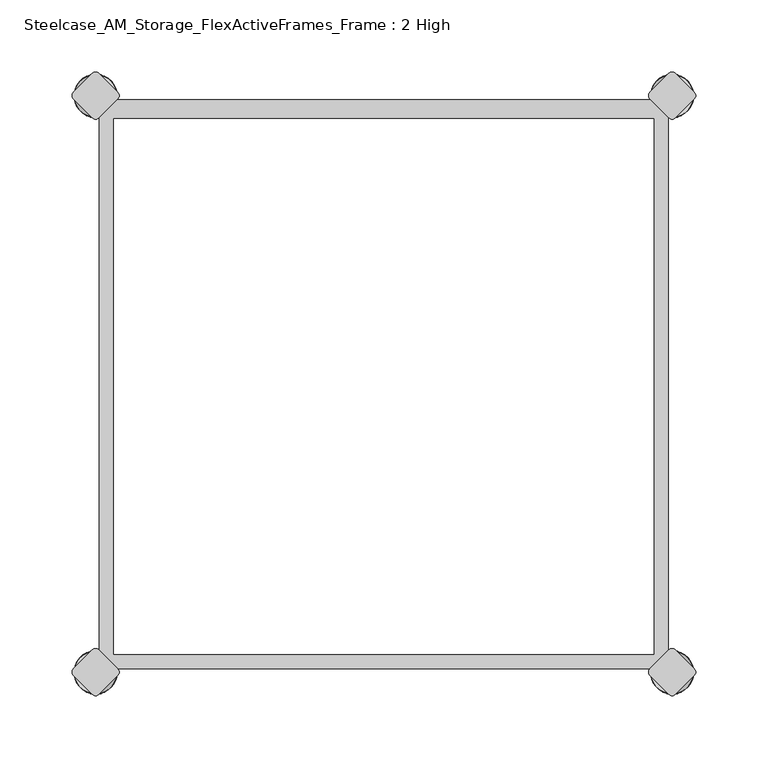
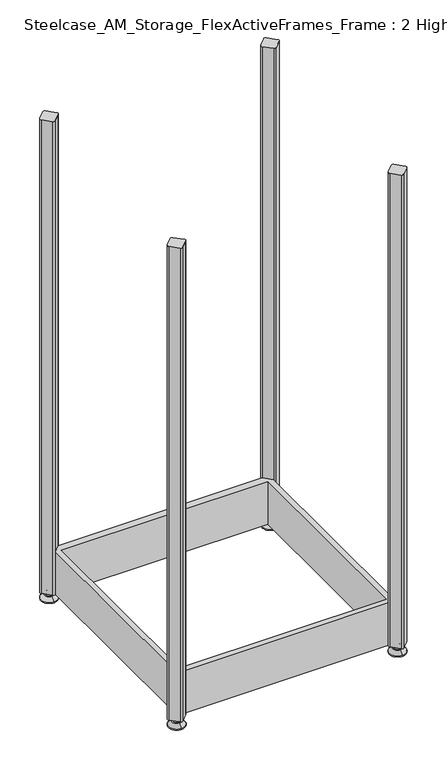
"""IFC4 building model written with IfcOpenShell, lengths in millimetres: furniture geometry, Steelcase_AM_Storage_FlexActiveFrames_Frame : 2 High."""

from ifc_helpers import new_model, si_unit, point, frame, frame_2d, origin, place, context, project, spatial, polyline, circle_curve, ellipse_curve, trimmed, segment, composite_curve, outline, extrude, source, transform, mapped, element, save
from ifc_brep_helpers import plane_surface, cylinder_surface, revolved_surface, advanced_brep


def steelcase_am_storage_flexactiveframes_frame_2_high_64e09d36(model_context):
    return source(origin(), model_context, "Body", "SolidModel", [
        extrude(outline(polyline([(2.54, -384.9123305), (2.54, -15.1376695), (15.1376695, -2.54), (384.9123305, -2.54), (397.51, -15.1376695), (397.51, -384.9123305), (384.9123305, -397.51), (15.1376695, -397.51), (2.54, -384.9123305)]), holes=[polyline([(12.7, -15.748), (12.7, -387.35), (387.35, -387.35), (387.35, -15.748), (12.7, -15.748)])]), frame((0.0, 0.0, 15.9766), z_axis=(0.0, 0.0, 1.0), x_axis=(1.0, 0.0, 0.0)), (0.0, 0.0, 1.0), 81.28),
        advanced_brep(
        [(400.05, 3.999659, 15.9766), (400.05, -3.999659, 15.9766), (400.05, 0.0, 15.9766), (400.05, 3.999659, 12.6000054), (400.05, -3.999659, 12.6000054), (400.05, 5.8601455, 12.6000054), (400.05, -5.8601455, 12.6000054), (400.05, 6.4951462, 11.9650074), (400.05, -6.4951462, 11.9650074), (400.05, 6.4951462, 9.0000124), (400.05, -6.4951462, 9.0000124), (400.05, 8.7421976, 9.0000124), (400.05, -8.7421976, 9.0000124), (400.05, 14.7060077, 2.3275608), (400.05, -14.7060077, 2.3275608), (400.05, 13.664601, 0.0), (400.05, -13.664601, 0.0), (400.05, 0.0, 0.0)],
        [
            (0, 1, circle_curve(frame((400.05, 0.0, 15.9766), z_axis=(0.0, 0.0, 1.0), x_axis=(0.0, -1.0, 0.0)), 3.999659)),
            (1, 2),
            (2, 0),
            (1, 0, circle_curve(frame((400.05, 0.0, 15.9766), z_axis=(0.0, 0.0, 1.0), x_axis=(0.0, -1.0, 0.0)), 3.999659)),
            (3, 4, circle_curve(frame((400.05, 0.0, 12.6000054), z_axis=(0.0, 0.0, 1.0), x_axis=(0.0, -1.0, 0.0)), 3.999659)),
            (4, 1),
            (0, 3),
            (4, 3, circle_curve(frame((400.05, 0.0, 12.6000054), z_axis=(0.0, 0.0, 1.0), x_axis=(0.0, -1.0, 0.0)), 3.999659)),
            (5, 6, circle_curve(frame((400.05, 0.0, 12.6000054), z_axis=(0.0, 0.0, 1.0), x_axis=(0.0, -1.0, 0.0)), 5.8601455)),
            (6, 4),
            (3, 5),
            (6, 5, circle_curve(frame((400.05, 0.0, 12.6000054), z_axis=(0.0, 0.0, 1.0), x_axis=(0.0, -1.0, 0.0)), 5.8601455)),
            (7, 8, circle_curve(frame((400.05, 0.0, 11.9650074), z_axis=(0.0, 0.0, 1.0), x_axis=(0.0, -1.0, 0.0)), 6.4951462)),
            (8, 6, circle_curve(frame((400.05, -5.8601462, 11.9650074), z_axis=(-1.0, 0.0, 0.0), x_axis=(0.0, -1.0, 0.0)), 0.635)),
            (5, 7, circle_curve(frame((400.05, 5.8601462, 11.9650074), z_axis=(-1.0, 0.0, 0.0), x_axis=(0.0, 1.0, 0.0)), 0.635)),
            (8, 7, circle_curve(frame((400.05, 0.0, 11.9650074), z_axis=(0.0, 0.0, 1.0), x_axis=(0.0, -1.0, 0.0)), 6.4951462)),
            (9, 10, circle_curve(frame((400.05, 0.0, 9.0000124), z_axis=(0.0, 0.0, 1.0), x_axis=(0.0, -1.0, 0.0)), 6.4951462)),
            (10, 8),
            (7, 9),
            (10, 9, circle_curve(frame((400.05, 0.0, 9.0000124), z_axis=(0.0, 0.0, 1.0), x_axis=(0.0, -1.0, 0.0)), 6.4951462)),
            (11, 12, circle_curve(frame((400.05, 0.0, 9.0000124), z_axis=(0.0, 0.0, 1.0), x_axis=(0.0, -1.0, 0.0)), 8.7421976)),
            (12, 10),
            (9, 11),
            (12, 11, circle_curve(frame((400.05, 0.0, 9.0000124), z_axis=(0.0, 0.0, 1.0), x_axis=(0.0, -1.0, 0.0)), 8.7421976)),
            (13, 14, circle_curve(frame((400.05, 0.0, 2.3275608), z_axis=(0.0, 0.0, 1.0), x_axis=(0.0, -1.0, 0.0)), 14.7060077)),
            (14, 12),
            (11, 13),
            (14, 13, circle_curve(frame((400.05, 0.0, 2.3275608), z_axis=(0.0, 0.0, 1.0), x_axis=(0.0, -1.0, 0.0)), 14.7060077)),
            (15, 16, circle_curve(frame((400.05, 0.0, 0.0), z_axis=(0.0, 0.0, 1.0), x_axis=(0.0, -1.0, 0.0)), 13.664601)),
            (16, 14, circle_curve(frame((400.05, -13.664601, 1.3967556), z_axis=(-1.0, 0.0, 0.0), x_axis=(0.0, -1.0, 0.0)), 1.3967556)),
            (13, 15, circle_curve(frame((400.05, 13.664601, 1.3967556), z_axis=(-1.0, 0.0, 0.0), x_axis=(0.0, 1.0, 0.0)), 1.3967556)),
            (16, 15, circle_curve(frame((400.05, 0.0, 0.0), z_axis=(0.0, 0.0, 1.0), x_axis=(0.0, -1.0, 0.0)), 13.664601)),
            (17, 16),
            (15, 17),
        ],
        [
            plane_surface(frame((400.05, 0.0, 15.9766), z_axis=(0.0, 0.0, 1.0), x_axis=(0.0, -1.0, 0.0))),
            cylinder_surface(frame((400.05, 0.0, -4.132372), z_axis=(0.0, 0.0, -1.0), x_axis=(0.0, -1.0, 0.0)), 3.999659),
            plane_surface(frame((400.05, 0.0, 12.6000054), z_axis=(0.0, 0.0, 1.0), x_axis=(0.0, -1.0, 0.0))),
            revolved_surface(trimmed(ellipse_curve(frame((400.05, -5.8601462, 11.9650074), z_axis=(1.0, 0.0, 0.0), x_axis=(0.0, -1.0, 0.0)), 0.635, 0.635), [point((400.05, -5.8601455, 12.6000074))], [point((400.05, -6.4951462, 11.9650074))], True, "CARTESIAN"), (400.05, 0.0, -4.132372), (0.0, 0.0, -1.0)),
            cylinder_surface(frame((400.05, 0.0, -4.132372), z_axis=(0.0, 0.0, -1.0), x_axis=(0.0, -1.0, 0.0)), 6.4951462),
            plane_surface(frame((400.05, 0.0, 9.0000124), z_axis=(0.0, 0.0, 1.0), x_axis=(0.0, -1.0, 0.0))),
            revolved_surface(polyline([(400.05, -8.7421976, 9.0000124), (400.05, -14.7060077, 2.3275608)]), (400.05, 0.0, -4.132372), (0.0, 0.0, -1.0)),
            revolved_surface(trimmed(ellipse_curve(frame((400.05, -13.664601, 1.3967556), z_axis=(1.0, 0.0, 0.0), x_axis=(0.0, -1.0, 0.0)), 1.3967556, 1.3967556), [point((400.05, -14.7060077, 2.3275608))], [point((400.05, -13.664601, 0.0))], True, "CARTESIAN"), (400.05, 0.0, -4.132372), (0.0, 0.0, -1.0)),
            plane_surface(frame((400.05, 0.0, 0.0), z_axis=(0.0, 0.0, -1.0), x_axis=(0.0, -1.0, 0.0))),
        ],
        [
            (0, [[1, 2, 3]]),
            (0, [[4, -3, -2]]),
            (1, [[5, 6, -1, 7]]),
            (1, [[8, -7, -4, -6]]),
            (2, [[9, 10, -5, 11]]),
            (2, [[12, -11, -8, -10]]),
            (3, [[13, 14, -9, 15]]),
            (3, [[16, -15, -12, -14]]),
            (4, [[17, 18, -13, 19]]),
            (4, [[20, -19, -16, -18]]),
            (5, [[21, 22, -17, 23]]),
            (5, [[24, -23, -20, -22]]),
            (6, [[25, 26, -21, 27]]),
            (6, [[28, -27, -24, -26]]),
            (7, [[29, 30, -25, 31]]),
            (7, [[32, -31, -28, -30]]),
            (8, [[33, -29, 34]]),
            (8, [[-34, -32, -33]]),
        ],
    ),
        advanced_brep(
        [(400.05, -400.05, 15.9766), (400.05, -396.050341, 15.9766), (400.05, -404.049659, 15.9766), (400.05, -396.050341, 12.6000054), (400.05, -404.049659, 12.6000054), (400.05, -394.1898545, 12.6000074), (400.05, -405.9101455, 12.6000074), (400.05, -393.5548538, 11.9650074), (400.05, -406.5451462, 11.9650074), (400.05, -393.5548538, 9.0000124), (400.05, -406.5451462, 9.0000124), (400.05, -391.3078024, 9.0000124), (400.05, -408.7921976, 9.0000124), (400.05, -385.3439923, 2.3275608), (400.05, -414.7560077, 2.3275608), (400.05, -386.385399, 0.0), (400.05, -413.714601, 0.0), (400.05, -400.05, 0.0)],
        [
            (0, 1),
            (1, 2, circle_curve(frame((400.05, -400.05, 15.9766), z_axis=(0.0, 0.0, 1.0), x_axis=(0.0, 1.0, 0.0)), 3.999659)),
            (2, 0),
            (2, 1, circle_curve(frame((400.05, -400.05, 15.9766), z_axis=(0.0, 0.0, 1.0), x_axis=(0.0, 1.0, 0.0)), 3.999659)),
            (1, 3),
            (3, 4, circle_curve(frame((400.05, -400.05, 12.6000054), z_axis=(0.0, 0.0, 1.0), x_axis=(0.0, 1.0, 0.0)), 3.999659)),
            (4, 2),
            (4, 3, circle_curve(frame((400.05, -400.05, 12.6000054), z_axis=(0.0, 0.0, 1.0), x_axis=(0.0, 1.0, 0.0)), 3.999659)),
            (3, 5),
            (5, 6, circle_curve(frame((400.05, -400.05, 12.6000074), z_axis=(0.0, 0.0, 1.0), x_axis=(0.0, 1.0, 0.0)), 5.8601455)),
            (6, 4),
            (6, 5, circle_curve(frame((400.05, -400.05, 12.6000074), z_axis=(0.0, 0.0, 1.0), x_axis=(0.0, 1.0, 0.0)), 5.8601455)),
            (5, 7, circle_curve(frame((400.05, -394.1898538, 11.9650074), z_axis=(-1.0, 0.0, 0.0), x_axis=(0.0, 1.0, 0.0)), 0.635)),
            (7, 8, circle_curve(frame((400.05, -400.05, 11.9650074), z_axis=(0.0, 0.0, 1.0), x_axis=(0.0, 1.0, 0.0)), 6.4951462)),
            (8, 6, circle_curve(frame((400.05, -405.9101462, 11.9650074), z_axis=(-1.0, 0.0, 0.0), x_axis=(0.0, -1.0, 0.0)), 0.635)),
            (8, 7, circle_curve(frame((400.05, -400.05, 11.9650074), z_axis=(0.0, 0.0, 1.0), x_axis=(0.0, 1.0, 0.0)), 6.4951462)),
            (7, 9),
            (9, 10, circle_curve(frame((400.05, -400.05, 9.0000124), z_axis=(0.0, 0.0, 1.0), x_axis=(0.0, 1.0, 0.0)), 6.4951462)),
            (10, 8),
            (10, 9, circle_curve(frame((400.05, -400.05, 9.0000124), z_axis=(0.0, 0.0, 1.0), x_axis=(0.0, 1.0, 0.0)), 6.4951462)),
            (9, 11),
            (11, 12, circle_curve(frame((400.05, -400.05, 9.0000124), z_axis=(0.0, 0.0, 1.0), x_axis=(0.0, 1.0, 0.0)), 8.7421976)),
            (12, 10),
            (12, 11, circle_curve(frame((400.05, -400.05, 9.0000124), z_axis=(0.0, 0.0, 1.0), x_axis=(0.0, 1.0, 0.0)), 8.7421976)),
            (11, 13),
            (13, 14, circle_curve(frame((400.05, -400.05, 2.3275608), z_axis=(0.0, 0.0, 1.0), x_axis=(0.0, 1.0, 0.0)), 14.7060077)),
            (14, 12),
            (14, 13, circle_curve(frame((400.05, -400.05, 2.3275608), z_axis=(0.0, 0.0, 1.0), x_axis=(0.0, 1.0, 0.0)), 14.7060077)),
            (13, 15, circle_curve(frame((400.05, -386.385399, 1.3967556), z_axis=(-1.0, 0.0, 0.0), x_axis=(0.0, 1.0, 0.0)), 1.3967556)),
            (15, 16, circle_curve(frame((400.05, -400.05, 0.0), z_axis=(0.0, 0.0, 1.0), x_axis=(0.0, 1.0, 0.0)), 13.664601)),
            (16, 14, circle_curve(frame((400.05, -413.714601, 1.3967556), z_axis=(-1.0, 0.0, 0.0), x_axis=(0.0, -1.0, 0.0)), 1.3967556)),
            (16, 15, circle_curve(frame((400.05, -400.05, 0.0), z_axis=(0.0, 0.0, 1.0), x_axis=(0.0, 1.0, 0.0)), 13.664601)),
            (15, 17),
            (17, 16),
        ],
        [
            plane_surface(frame((400.05, -400.05, 15.9766), z_axis=(0.0, 0.0, 1.0), x_axis=(0.0, 1.0, 0.0))),
            cylinder_surface(frame((400.05, -400.05, -4.132372), z_axis=(0.0, 0.0, 1.0), x_axis=(0.0, 1.0, 0.0)), 3.999659),
            plane_surface(frame((400.05, -400.05, 12.6000074), z_axis=(0.0, 0.0, 1.0), x_axis=(0.0, 1.0, 0.0))),
            revolved_surface(trimmed(ellipse_curve(frame((400.05, -394.1898538, 11.9650074), z_axis=(1.0, 0.0, 0.0), x_axis=(0.0, 1.0, 0.0)), 0.635, 0.635), [point((400.05, -393.5548538, 11.9650074))], [point((400.05, -394.1898545, 12.6000074))], True, "CARTESIAN"), (400.05, -400.05, -4.132372), (0.0, 0.0, 1.0)),
            cylinder_surface(frame((400.05, -400.05, -4.132372), z_axis=(0.0, 0.0, 1.0), x_axis=(0.0, 1.0, 0.0)), 6.4951462),
            plane_surface(frame((400.05, -400.05, 9.0000124), z_axis=(0.0, 0.0, 1.0), x_axis=(0.0, 1.0, 0.0))),
            revolved_surface(polyline([(400.05, -385.3439923, 2.3275608), (400.05, -391.3078024, 9.0000124)]), (400.05, -400.05, -4.132372), (0.0, 0.0, 1.0)),
            revolved_surface(trimmed(ellipse_curve(frame((400.05, -386.385399, 1.3967556), z_axis=(1.0, 0.0, 0.0), x_axis=(0.0, 1.0, 0.0)), 1.3967556, 1.3967556), [point((400.05, -386.385399, 0.0))], [point((400.05, -385.3439923, 2.3275608))], True, "CARTESIAN"), (400.05, -400.05, -4.132372), (0.0, 0.0, 1.0)),
            plane_surface(frame((400.05, -400.05, 0.0), z_axis=(0.0, 0.0, -1.0), x_axis=(0.0, 1.0, 0.0))),
        ],
        [
            (0, [[1, 2, 3]]),
            (0, [[-3, 4, -1]]),
            (1, [[-2, 5, 6, 7]]),
            (1, [[-4, -7, 8, -5]]),
            (2, [[-6, 9, 10, 11]]),
            (2, [[-8, -11, 12, -9]]),
            (3, [[-10, 13, 14, 15]]),
            (3, [[-12, -15, 16, -13]]),
            (4, [[-14, 17, 18, 19]]),
            (4, [[-16, -19, 20, -17]]),
            (5, [[-18, 21, 22, 23]]),
            (5, [[-20, -23, 24, -21]]),
            (6, [[-22, 25, 26, 27]]),
            (6, [[-24, -27, 28, -25]]),
            (7, [[-26, 29, 30, 31]]),
            (7, [[-28, -31, 32, -29]]),
            (8, [[-30, 33, 34]]),
            (8, [[-32, -34, -33]]),
        ],
    ),
        advanced_brep(
        [(0.0, -400.05, 15.9766), (0.0, -396.050341, 15.9766), (0.0, -404.049659, 15.9766), (0.0, -396.050341, 12.6000054), (0.0, -404.049659, 12.6000054), (0.0, -394.1898545, 12.6000074), (0.0, -405.9101455, 12.6000074), (0.0, -393.5548538, 11.9650074), (0.0, -406.5451462, 11.9650074), (0.0, -393.5548538, 9.0000124), (0.0, -406.5451462, 9.0000124), (0.0, -391.3078024, 9.0000124), (0.0, -408.7921976, 9.0000124), (0.0, -385.3439923, 2.3275608), (0.0, -414.7560077, 2.3275608), (0.0, -386.385399, 0.0), (0.0, -413.714601, 0.0), (0.0, -400.05, 0.0)],
        [
            (0, 1),
            (1, 2, circle_curve(frame((0.0, -400.05, 15.9766), z_axis=(0.0, 0.0, 1.0), x_axis=(0.0, 1.0, 0.0)), 3.999659)),
            (2, 0),
            (2, 1, circle_curve(frame((0.0, -400.05, 15.9766), z_axis=(0.0, 0.0, 1.0), x_axis=(0.0, 1.0, 0.0)), 3.999659)),
            (1, 3),
            (3, 4, circle_curve(frame((0.0, -400.05, 12.6000054), z_axis=(0.0, 0.0, 1.0), x_axis=(0.0, 1.0, 0.0)), 3.999659)),
            (4, 2),
            (4, 3, circle_curve(frame((0.0, -400.05, 12.6000054), z_axis=(0.0, 0.0, 1.0), x_axis=(0.0, 1.0, 0.0)), 3.999659)),
            (3, 5),
            (5, 6, circle_curve(frame((0.0, -400.05, 12.6000074), z_axis=(0.0, 0.0, 1.0), x_axis=(0.0, 1.0, 0.0)), 5.8601455)),
            (6, 4),
            (6, 5, circle_curve(frame((0.0, -400.05, 12.6000074), z_axis=(0.0, 0.0, 1.0), x_axis=(0.0, 1.0, 0.0)), 5.8601455)),
            (5, 7, circle_curve(frame((0.0, -394.1898538, 11.9650074), z_axis=(-1.0, 0.0, 0.0), x_axis=(0.0, -1.0, 0.0)), 0.635)),
            (7, 8, circle_curve(frame((0.0, -400.05, 11.9650074), z_axis=(0.0, 0.0, 1.0), x_axis=(0.0, 1.0, 0.0)), 6.4951462)),
            (8, 6, circle_curve(frame((0.0, -405.9101462, 11.9650074), z_axis=(-1.0, 0.0, 0.0), x_axis=(0.0, 1.0, 0.0)), 0.635)),
            (8, 7, circle_curve(frame((0.0, -400.05, 11.9650074), z_axis=(0.0, 0.0, 1.0), x_axis=(0.0, 1.0, 0.0)), 6.4951462)),
            (7, 9),
            (9, 10, circle_curve(frame((0.0, -400.05, 9.0000124), z_axis=(0.0, 0.0, 1.0), x_axis=(0.0, 1.0, 0.0)), 6.4951462)),
            (10, 8),
            (10, 9, circle_curve(frame((0.0, -400.05, 9.0000124), z_axis=(0.0, 0.0, 1.0), x_axis=(0.0, 1.0, 0.0)), 6.4951462)),
            (9, 11),
            (11, 12, circle_curve(frame((0.0, -400.05, 9.0000124), z_axis=(0.0, 0.0, 1.0), x_axis=(0.0, 1.0, 0.0)), 8.7421976)),
            (12, 10),
            (12, 11, circle_curve(frame((0.0, -400.05, 9.0000124), z_axis=(0.0, 0.0, 1.0), x_axis=(0.0, 1.0, 0.0)), 8.7421976)),
            (11, 13),
            (13, 14, circle_curve(frame((0.0, -400.05, 2.3275608), z_axis=(0.0, 0.0, 1.0), x_axis=(0.0, 1.0, 0.0)), 14.7060077)),
            (14, 12),
            (14, 13, circle_curve(frame((0.0, -400.05, 2.3275608), z_axis=(0.0, 0.0, 1.0), x_axis=(0.0, 1.0, 0.0)), 14.7060077)),
            (13, 15, circle_curve(frame((0.0, -386.385399, 1.3967556), z_axis=(-1.0, 0.0, 0.0), x_axis=(0.0, -1.0, 0.0)), 1.3967556)),
            (15, 16, circle_curve(frame((0.0, -400.05, 0.0), z_axis=(0.0, 0.0, 1.0), x_axis=(0.0, 1.0, 0.0)), 13.664601)),
            (16, 14, circle_curve(frame((0.0, -413.714601, 1.3967556), z_axis=(-1.0, 0.0, 0.0), x_axis=(0.0, 1.0, 0.0)), 1.3967556)),
            (16, 15, circle_curve(frame((0.0, -400.05, 0.0), z_axis=(0.0, 0.0, 1.0), x_axis=(0.0, 1.0, 0.0)), 13.664601)),
            (15, 17),
            (17, 16),
        ],
        [
            plane_surface(frame((0.0, -400.05, 15.9766), z_axis=(0.0, 0.0, 1.0), x_axis=(0.0, 1.0, 0.0))),
            cylinder_surface(frame((0.0, -400.05, -4.132372), z_axis=(0.0, 0.0, 1.0), x_axis=(0.0, 1.0, 0.0)), 3.999659),
            plane_surface(frame((0.0, -400.05, 12.6000074), z_axis=(0.0, 0.0, 1.0), x_axis=(0.0, 1.0, 0.0))),
            revolved_surface(trimmed(ellipse_curve(frame((0.0, -394.1898538, 11.9650074), z_axis=(1.0, 0.0, 0.0), x_axis=(0.0, -1.0, 0.0)), 0.635, 0.635), [point((0.0, -393.5548538, 11.9650074))], [point((0.0, -394.1898545, 12.6000074))], True, "CARTESIAN"), (0.0, -400.05, -4.132372), (0.0, 0.0, 1.0)),
            cylinder_surface(frame((0.0, -400.05, -4.132372), z_axis=(0.0, 0.0, 1.0), x_axis=(0.0, 1.0, 0.0)), 6.4951462),
            plane_surface(frame((0.0, -400.05, 9.0000124), z_axis=(0.0, 0.0, 1.0), x_axis=(0.0, 1.0, 0.0))),
            revolved_surface(polyline([(0.0, -385.3439923, 2.3275608), (0.0, -391.3078024, 9.0000124)]), (0.0, -400.05, -4.132372), (0.0, 0.0, 1.0)),
            revolved_surface(trimmed(ellipse_curve(frame((0.0, -386.385399, 1.3967556), z_axis=(1.0, 0.0, 0.0), x_axis=(0.0, -1.0, 0.0)), 1.3967556, 1.3967556), [point((0.0, -386.385399, 0.0))], [point((0.0, -385.3439923, 2.3275608))], True, "CARTESIAN"), (0.0, -400.05, -4.132372), (0.0, 0.0, 1.0)),
            plane_surface(frame((0.0, -400.05, 0.0), z_axis=(0.0, 0.0, -1.0), x_axis=(0.0, 1.0, 0.0))),
        ],
        [
            (0, [[1, 2, 3]]),
            (0, [[-3, 4, -1]]),
            (1, [[-2, 5, 6, 7]]),
            (1, [[-4, -7, 8, -5]]),
            (2, [[-6, 9, 10, 11]]),
            (2, [[-8, -11, 12, -9]]),
            (3, [[-10, 13, 14, 15]]),
            (3, [[-12, -15, 16, -13]]),
            (4, [[-14, 17, 18, 19]]),
            (4, [[-16, -19, 20, -17]]),
            (5, [[-18, 21, 22, 23]]),
            (5, [[-20, -23, 24, -21]]),
            (6, [[-22, 25, 26, 27]]),
            (6, [[-24, -27, 28, -25]]),
            (7, [[-26, 29, 30, 31]]),
            (7, [[-28, -31, 32, -29]]),
            (8, [[-30, 33, 34]]),
            (8, [[-32, -34, -33]]),
        ],
    ),
        advanced_brep(
        [(0.0, 3.999659, 15.9766), (0.0, -3.999659, 15.9766), (0.0, 0.0, 15.9766), (0.0, 3.999659, 12.6000054), (0.0, -3.999659, 12.6000054), (0.0, 5.8601455, 12.6000054), (0.0, -5.8601455, 12.6000054), (0.0, 6.4951462, 11.9650074), (0.0, -6.4951462, 11.9650074), (0.0, 6.4951462, 9.0000124), (0.0, -6.4951462, 9.0000124), (0.0, 8.7421976, 9.0000124), (0.0, -8.7421976, 9.0000124), (0.0, 14.7060077, 2.3275608), (0.0, -14.7060077, 2.3275608), (0.0, 13.664601, 0.0), (0.0, -13.664601, 0.0), (0.0, 0.0, 0.0)],
        [
            (0, 1, circle_curve(frame((0.0, 0.0, 15.9766), z_axis=(0.0, 0.0, 1.0), x_axis=(0.0, -1.0, 0.0)), 3.999659)),
            (1, 2),
            (2, 0),
            (1, 0, circle_curve(frame((0.0, 0.0, 15.9766), z_axis=(0.0, 0.0, 1.0), x_axis=(0.0, -1.0, 0.0)), 3.999659)),
            (3, 4, circle_curve(frame((0.0, 0.0, 12.6000054), z_axis=(0.0, 0.0, 1.0), x_axis=(0.0, -1.0, 0.0)), 3.999659)),
            (4, 1),
            (0, 3),
            (4, 3, circle_curve(frame((0.0, 0.0, 12.6000054), z_axis=(0.0, 0.0, 1.0), x_axis=(0.0, -1.0, 0.0)), 3.999659)),
            (5, 6, circle_curve(frame((0.0, 0.0, 12.6000054), z_axis=(0.0, 0.0, 1.0), x_axis=(0.0, -1.0, 0.0)), 5.8601455)),
            (6, 4),
            (3, 5),
            (6, 5, circle_curve(frame((0.0, 0.0, 12.6000054), z_axis=(0.0, 0.0, 1.0), x_axis=(0.0, -1.0, 0.0)), 5.8601455)),
            (7, 8, circle_curve(frame((0.0, 0.0, 11.9650074), z_axis=(0.0, 0.0, 1.0), x_axis=(0.0, -1.0, 0.0)), 6.4951462)),
            (8, 6, circle_curve(frame((0.0, -5.8601462, 11.9650074), z_axis=(-1.0, 0.0, 0.0), x_axis=(0.0, 1.0, 0.0)), 0.635)),
            (5, 7, circle_curve(frame((0.0, 5.8601462, 11.9650074), z_axis=(-1.0, 0.0, 0.0), x_axis=(0.0, -1.0, 0.0)), 0.635)),
            (8, 7, circle_curve(frame((0.0, 0.0, 11.9650074), z_axis=(0.0, 0.0, 1.0), x_axis=(0.0, -1.0, 0.0)), 6.4951462)),
            (9, 10, circle_curve(frame((0.0, 0.0, 9.0000124), z_axis=(0.0, 0.0, 1.0), x_axis=(0.0, -1.0, 0.0)), 6.4951462)),
            (10, 8),
            (7, 9),
            (10, 9, circle_curve(frame((0.0, 0.0, 9.0000124), z_axis=(0.0, 0.0, 1.0), x_axis=(0.0, -1.0, 0.0)), 6.4951462)),
            (11, 12, circle_curve(frame((0.0, 0.0, 9.0000124), z_axis=(0.0, 0.0, 1.0), x_axis=(0.0, -1.0, 0.0)), 8.7421976)),
            (12, 10),
            (9, 11),
            (12, 11, circle_curve(frame((0.0, 0.0, 9.0000124), z_axis=(0.0, 0.0, 1.0), x_axis=(0.0, -1.0, 0.0)), 8.7421976)),
            (13, 14, circle_curve(frame((0.0, 0.0, 2.3275608), z_axis=(0.0, 0.0, 1.0), x_axis=(0.0, -1.0, 0.0)), 14.7060077)),
            (14, 12),
            (11, 13),
            (14, 13, circle_curve(frame((0.0, 0.0, 2.3275608), z_axis=(0.0, 0.0, 1.0), x_axis=(0.0, -1.0, 0.0)), 14.7060077)),
            (15, 16, circle_curve(frame((0.0, 0.0, 0.0), z_axis=(0.0, 0.0, 1.0), x_axis=(0.0, -1.0, 0.0)), 13.664601)),
            (16, 14, circle_curve(frame((0.0, -13.664601, 1.3967556), z_axis=(-1.0, 0.0, 0.0), x_axis=(0.0, 1.0, 0.0)), 1.3967556)),
            (13, 15, circle_curve(frame((0.0, 13.664601, 1.3967556), z_axis=(-1.0, 0.0, 0.0), x_axis=(0.0, -1.0, 0.0)), 1.3967556)),
            (16, 15, circle_curve(frame((0.0, 0.0, 0.0), z_axis=(0.0, 0.0, 1.0), x_axis=(0.0, -1.0, 0.0)), 13.664601)),
            (17, 16),
            (15, 17),
        ],
        [
            plane_surface(frame((0.0, 0.0, 15.9766), z_axis=(0.0, 0.0, 1.0), x_axis=(0.0, -1.0, 0.0))),
            cylinder_surface(frame((0.0, 0.0, -4.132372), z_axis=(0.0, 0.0, -1.0), x_axis=(0.0, -1.0, 0.0)), 3.999659),
            plane_surface(frame((0.0, 0.0, 12.6000054), z_axis=(0.0, 0.0, 1.0), x_axis=(0.0, -1.0, 0.0))),
            revolved_surface(trimmed(ellipse_curve(frame((0.0, -5.8601462, 11.9650074), z_axis=(1.0, 0.0, 0.0), x_axis=(0.0, 1.0, 0.0)), 0.635, 0.635), [point((0.0, -5.8601455, 12.6000074))], [point((0.0, -6.4951462, 11.9650074))], True, "CARTESIAN"), (0.0, 0.0, -4.132372), (0.0, 0.0, -1.0)),
            cylinder_surface(frame((0.0, 0.0, -4.132372), z_axis=(0.0, 0.0, -1.0), x_axis=(0.0, -1.0, 0.0)), 6.4951462),
            plane_surface(frame((0.0, 0.0, 9.0000124), z_axis=(0.0, 0.0, 1.0), x_axis=(0.0, -1.0, 0.0))),
            revolved_surface(polyline([(0.0, -8.7421976, 9.0000124), (0.0, -14.7060077, 2.3275608)]), (0.0, 0.0, -4.132372), (0.0, 0.0, -1.0)),
            revolved_surface(trimmed(ellipse_curve(frame((0.0, -13.664601, 1.3967556), z_axis=(1.0, 0.0, 0.0), x_axis=(0.0, 1.0, 0.0)), 1.3967556, 1.3967556), [point((0.0, -14.7060077, 2.3275608))], [point((0.0, -13.664601, 0.0))], True, "CARTESIAN"), (0.0, 0.0, -4.132372), (0.0, 0.0, -1.0)),
            plane_surface(frame((0.0, 0.0, 0.0), z_axis=(0.0, 0.0, -1.0), x_axis=(0.0, -1.0, 0.0))),
        ],
        [
            (0, [[1, 2, 3]]),
            (0, [[4, -3, -2]]),
            (1, [[5, 6, -1, 7]]),
            (1, [[8, -7, -4, -6]]),
            (2, [[9, 10, -5, 11]]),
            (2, [[12, -11, -8, -10]]),
            (3, [[13, 14, -9, 15]]),
            (3, [[16, -15, -12, -14]]),
            (4, [[17, 18, -13, 19]]),
            (4, [[20, -19, -16, -18]]),
            (5, [[21, 22, -17, 23]]),
            (5, [[24, -23, -20, -22]]),
            (6, [[25, 26, -21, 27]]),
            (6, [[28, -27, -24, -26]]),
            (7, [[29, 30, -25, 31]]),
            (7, [[32, -31, -28, -30]]),
            (8, [[33, -29, 34]]),
            (8, [[-34, -32, -33]]),
        ],
    ),
        extrude(outline(composite_curve([segment(polyline([(-2.245064, -15.4326055), (-15.4326055, -2.245064)]), True, "CONTINUOUS"), segment(trimmed(circle_curve(frame_2d((-13.1875415, 0.0)), 3.175), [point((-15.4326055, -2.245064))], [point((-15.4326055, 2.245064))], False, "CARTESIAN"), True, "CONTINUOUS"), segment(polyline([(-15.4326055, 2.245064), (-2.245064, 15.4326055)]), True, "CONTINUOUS"), segment(trimmed(circle_curve(frame_2d((0.0, 13.1875415)), 3.175), [point((-2.245064, 15.4326055))], [point((2.245064, 15.4326055))], False, "CARTESIAN"), True, "CONTINUOUS"), segment(polyline([(2.245064, 15.4326055), (15.4326055, 2.245064)]), True, "CONTINUOUS"), segment(trimmed(circle_curve(frame_2d((13.1875415, 0.0)), 3.175), [point((15.4326055, 2.245064))], [point((15.4326055, -2.245064))], False, "CARTESIAN"), True, "CONTINUOUS"), segment(polyline([(15.4326055, -2.245064), (2.245064, -15.4326055)]), True, "CONTINUOUS"), segment(trimmed(circle_curve(frame_2d((0.0, -13.1875415)), 3.175), [point((2.245064, -15.4326055))], [point((-2.245064, -15.4326055))], False, "CARTESIAN"), True, "CONTINUOUS")], self_intersect=False)), frame((0.0, 0.0, 15.9766), z_axis=(0.0, 0.0, 1.0), x_axis=(1.0, 0.0, 0.0)), (0.0, 0.0, 1.0), 907.3134),
        extrude(outline(composite_curve([segment(trimmed(circle_curve(frame_2d((400.05, -13.1875415)), 3.175), [point((402.295064, -15.4326055))], [point((397.804936, -15.4326055))], False, "CARTESIAN"), True, "CONTINUOUS"), segment(polyline([(397.804936, -15.4326055), (384.6173945, -2.245064)]), True, "CONTINUOUS"), segment(trimmed(circle_curve(frame_2d((386.8624585, 0.0)), 3.175), [point((384.6173945, -2.245064))], [point((384.6173945, 2.245064))], False, "CARTESIAN"), True, "CONTINUOUS"), segment(polyline([(384.6173945, 2.245064), (397.804936, 15.4326055)]), True, "CONTINUOUS"), segment(trimmed(circle_curve(frame_2d((400.05, 13.1875415)), 3.175), [point((397.804936, 15.4326055))], [point((402.295064, 15.4326055))], False, "CARTESIAN"), True, "CONTINUOUS"), segment(polyline([(402.295064, 15.4326055), (415.4826055, 2.245064)]), True, "CONTINUOUS"), segment(trimmed(circle_curve(frame_2d((413.2375415, 0.0)), 3.175), [point((415.4826055, 2.245064))], [point((415.4826055, -2.245064))], False, "CARTESIAN"), True, "CONTINUOUS"), segment(polyline([(415.4826055, -2.245064), (402.295064, -15.4326055)]), True, "CONTINUOUS")], self_intersect=False)), frame((0.0, 0.0, 15.9766), z_axis=(0.0, 0.0, 1.0), x_axis=(1.0, 0.0, 0.0)), (0.0, 0.0, 1.0), 907.3134),
        extrude(outline(composite_curve([segment(polyline([(402.295064, -384.6173945), (415.4826055, -397.804936)]), True, "CONTINUOUS"), segment(trimmed(circle_curve(frame_2d((413.2375415, -400.05)), 3.175), [point((415.4826055, -397.804936))], [point((415.4826055, -402.295064))], False, "CARTESIAN"), True, "CONTINUOUS"), segment(polyline([(415.4826055, -402.295064), (402.295064, -415.4826055)]), True, "CONTINUOUS"), segment(trimmed(circle_curve(frame_2d((400.05, -413.2375415)), 3.175), [point((402.295064, -415.4826055))], [point((397.804936, -415.4826055))], False, "CARTESIAN"), True, "CONTINUOUS"), segment(polyline([(397.804936, -415.4826055), (384.6173945, -402.295064)]), True, "CONTINUOUS"), segment(trimmed(circle_curve(frame_2d((386.8624585, -400.05)), 3.175), [point((384.6173945, -402.295064))], [point((384.6173945, -397.804936))], False, "CARTESIAN"), True, "CONTINUOUS"), segment(polyline([(384.6173945, -397.804936), (397.804936, -384.6173945)]), True, "CONTINUOUS"), segment(trimmed(circle_curve(frame_2d((400.05, -386.8624585)), 3.175), [point((397.804936, -384.6173945))], [point((402.295064, -384.6173945))], False, "CARTESIAN"), True, "CONTINUOUS")], self_intersect=False)), frame((0.0, 0.0, 15.9766), z_axis=(0.0, 0.0, 1.0), x_axis=(1.0, 0.0, 0.0)), (0.0, 0.0, 1.0), 907.3134),
        extrude(outline(composite_curve([segment(trimmed(circle_curve(frame_2d((0.0, -386.8624585)), 3.175), [point((-2.245064, -384.6173945))], [point((2.245064, -384.6173945))], False, "CARTESIAN"), True, "CONTINUOUS"), segment(polyline([(2.245064, -384.6173945), (15.4326055, -397.804936)]), True, "CONTINUOUS"), segment(trimmed(circle_curve(frame_2d((13.1875415, -400.05)), 3.175), [point((15.4326055, -397.804936))], [point((15.4326055, -402.295064))], False, "CARTESIAN"), True, "CONTINUOUS"), segment(polyline([(15.4326055, -402.295064), (2.245064, -415.4826055)]), True, "CONTINUOUS"), segment(trimmed(circle_curve(frame_2d((0.0, -413.2375415)), 3.175), [point((2.245064, -415.4826055))], [point((-2.245064, -415.4826055))], False, "CARTESIAN"), True, "CONTINUOUS"), segment(polyline([(-2.245064, -415.4826055), (-15.4326055, -402.295064)]), True, "CONTINUOUS"), segment(trimmed(circle_curve(frame_2d((-13.1875415, -400.05)), 3.175), [point((-15.4326055, -402.295064))], [point((-15.4326055, -397.804936))], False, "CARTESIAN"), True, "CONTINUOUS"), segment(polyline([(-15.4326055, -397.804936), (-2.245064, -384.6173945)]), True, "CONTINUOUS")], self_intersect=False)), frame((0.0, 0.0, 15.9766), z_axis=(0.0, 0.0, 1.0), x_axis=(1.0, 0.0, 0.0)), (0.0, 0.0, 1.0), 907.3134),
    ])


if __name__ == "__main__":
    model = new_model("IFC4")
    model_context = context("Model", 3, world=origin())
    ifc_project = project(units=[si_unit("LENGTHUNIT", "METRE", prefix="MILLI")], contexts=[model_context])
    site = spatial("IfcSite", under=ifc_project)
    building = spatial("IfcBuilding", under=site)
    placement = place(None, origin())
    steelcase_am_storage_flexactiveframes_frame_2_high_shape = steelcase_am_storage_flexactiveframes_frame_2_high_64e09d36(model_context)
    element("IfcFurniture", 1, ObjectType="Steelcase_AM_Storage_FlexActiveFrames_Frame : 2 High", at=placement, inside=building, context=model_context, shape_type="MappedRepresentation", body=[
        mapped(steelcase_am_storage_flexactiveframes_frame_2_high_shape, transform((0.0, 0.0, 0.0), x_axis=(1.0, 0.0, 0.0), y_axis=(0.0, 1.0, 0.0), z_axis=(0.0, 0.0, 1.0))),
    ])
    save(model, "model.ifc")
